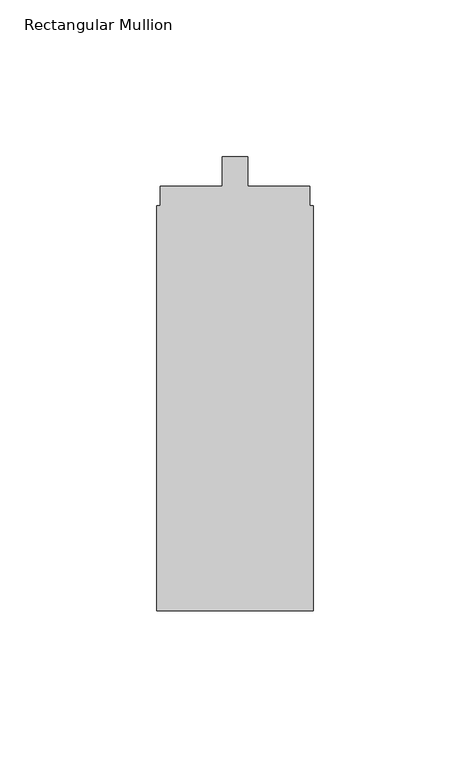
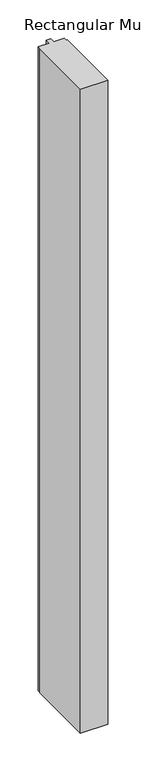
"""IFC4 building model written with IfcOpenShell, lengths in millimetres: member geometry, Rectangular Mullion."""

from ifc_helpers import new_model, si_unit, frame, origin, place, context, project, spatial, polyline, outline, extrude, source, transform, mapped, element, save


def rectangular_mullion_9e6e9247(model_context):
    return source(origin(), model_context, "Body", "SweptSolid", [
        extrude(outline(polyline([(0.0, -152.3), (-50.0, -152.3), (-50.0, -23.0), (-48.9, -23.0), (-48.9, -16.8), (-29.1, -16.8), (-29.1, -7.3), (-20.9, -7.3), (-20.9, -16.8), (-1.1782663, -16.8), (-1.1782663, -23.0), (0.0, -23.0), (0.0, -152.3)])), frame((0.0, 0.0, -1250.0), z_axis=(0.0, 0.0, 1.0), x_axis=(1.0, 0.0, 0.0)), (0.0, 0.0, 1.0), 1250.0),
    ])


if __name__ == "__main__":
    model = new_model("IFC4")
    model_context = context("Model", 3, world=origin())
    ifc_project = project(units=[si_unit("LENGTHUNIT", "METRE", prefix="MILLI")], contexts=[model_context])
    site = spatial("IfcSite", under=ifc_project)
    building = spatial("IfcBuilding", under=site)
    placement = place(None, origin())
    rectangular_mullion_shape = rectangular_mullion_9e6e9247(model_context)
    element("IfcMember", 1, ObjectType="Rectangular Mullion", at=placement, inside=building, context=model_context, shape_type="MappedRepresentation", body=[
        mapped(rectangular_mullion_shape, transform((0.0, 0.0, 0.0), x_axis=(1.0, 0.0, 0.0), y_axis=(0.0, 1.0, 0.0), z_axis=(0.0, 0.0, 1.0))),
    ])
    save(model, "model.ifc")
